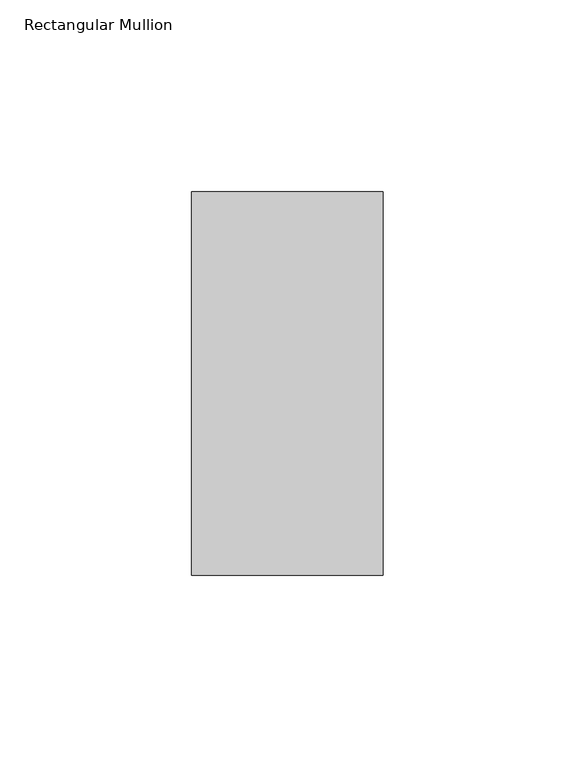
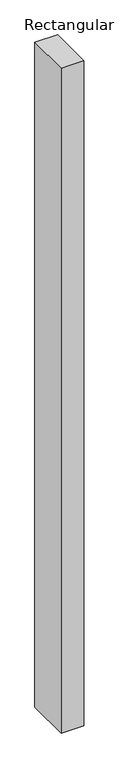
"""IFC4 building model written with IfcOpenShell, lengths in millimetres: member geometry, Rectangular Mullion."""

from ifc_helpers import new_model, si_unit, frame, origin, place, context, project, spatial, polyline, outline, extrude, source, transform, mapped, element, save


def rectangular_mullion_2ac2dbaa(model_context):
    return source(origin(), model_context, "Body", "SweptSolid", [
        extrude(outline(polyline([(0.0, 31.0), (0.0, -69.0), (-50.0, -69.0), (-50.0, 31.0), (0.0, 31.0)])), frame((0.0, 0.0, -1550.0), z_axis=(0.0, 0.0, 1.0), x_axis=(1.0, 0.0, 0.0)), (0.0, 0.0, 1.0), 1550.0),
    ])


if __name__ == "__main__":
    model = new_model("IFC4")
    model_context = context("Model", 3, world=origin())
    ifc_project = project(units=[si_unit("LENGTHUNIT", "METRE", prefix="MILLI")], contexts=[model_context])
    site = spatial("IfcSite", under=ifc_project)
    building = spatial("IfcBuilding", under=site)
    placement = place(None, origin())
    rectangular_mullion_shape = rectangular_mullion_2ac2dbaa(model_context)
    element("IfcMember", 1, ObjectType="Rectangular Mullion", at=placement, inside=building, context=model_context, shape_type="MappedRepresentation", body=[
        mapped(rectangular_mullion_shape, transform((0.0, 0.0, 0.0), x_axis=(1.0, 0.0, 0.0), y_axis=(0.0, 1.0, 0.0), z_axis=(0.0, 0.0, 1.0))),
    ])
    save(model, "model.ifc")
